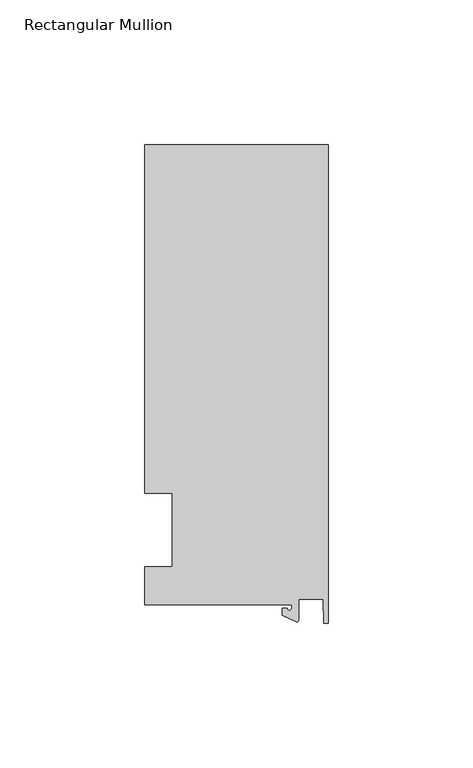
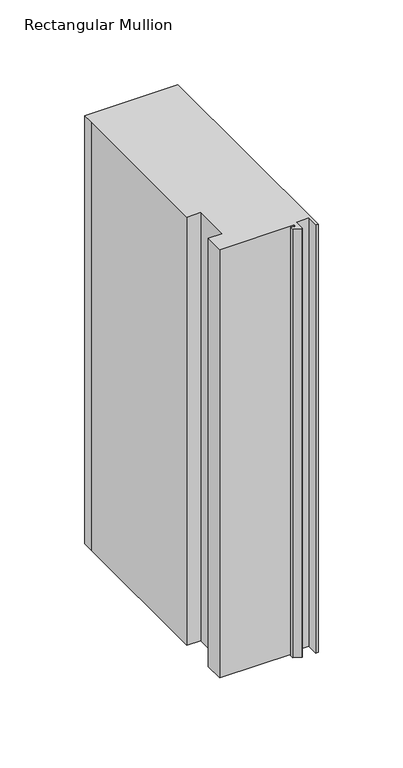
"""IFC4 building model written with IfcOpenShell, lengths in millimetres: member geometry, Rectangular Mullion."""

from ifc_helpers import new_model, si_unit, point, frame, frame_2d, origin, place, context, project, spatial, polyline, circle_curve, trimmed, segment, composite_curve, outline, extrude, source, transform, mapped, element, save


def rectangular_mullion_f7026f3f(model_context):
    return source(origin(), model_context, "Body", "SweptSolid", [
        extrude(outline(composite_curve([segment(polyline([(-12.6173814, -25.796875), (-63.5, -25.796875), (-63.5, -12.7), (-53.975, -12.7), (-53.975, 12.7), (-63.5, 12.7), (-63.5, 125.8114907), (-63.5, 133.34365), (0.0, 133.34365), (0.0, -32.288874), (-1.5658966, -32.288874), (-1.7144124, -23.9227662), (-10.2297814, -23.9227662), (-10.2297814, -31.2414327)]), True, "CONTINUOUS"), segment(trimmed(circle_curve(frame_2d((-10.7377814, -31.2414327)), 0.508), [point((-10.2297814, -31.2414327))], [point((-10.9524715, -31.7018371))], False, "CARTESIAN"), True, "CONTINUOUS"), segment(polyline([(-10.9524715, -31.7018371), (-15.7923814, -29.44495), (-15.7923814, -27.0827507), (-14.2048814, -27.0827507)]), True, "CONTINUOUS"), segment(trimmed(circle_curve(frame_2d((-13.4111314, -27.0827507)), 0.79375), [point((-14.2048814, -27.0827507))], [point((-12.6173814, -27.0827507))], True, "CARTESIAN"), True, "CONTINUOUS"), segment(polyline([(-12.6173814, -27.0827507), (-12.6173814, -25.796875)]), True, "CONTINUOUS")], self_intersect=False)), frame((0.0, 0.0, -308.61635), z_axis=(0.0, 0.0, 1.0), x_axis=(1.0, 0.0, 0.0)), (0.0, 0.0, 1.0), 308.61635),
    ])


if __name__ == "__main__":
    model = new_model("IFC4")
    model_context = context("Model", 3, world=origin())
    ifc_project = project(units=[si_unit("LENGTHUNIT", "METRE", prefix="MILLI")], contexts=[model_context])
    site = spatial("IfcSite", under=ifc_project)
    building = spatial("IfcBuilding", under=site)
    placement = place(None, origin())
    rectangular_mullion_shape = rectangular_mullion_f7026f3f(model_context)
    element("IfcMember", 1, ObjectType="Rectangular Mullion", at=placement, inside=building, context=model_context, shape_type="MappedRepresentation", body=[
        mapped(rectangular_mullion_shape, transform((0.0, 0.0, 0.0), x_axis=(1.0, 0.0, 0.0), y_axis=(0.0, 1.0, 0.0), z_axis=(0.0, 0.0, 1.0))),
    ])
    save(model, "model.ifc")
